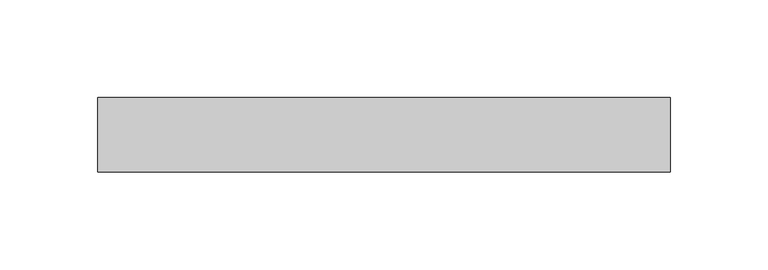
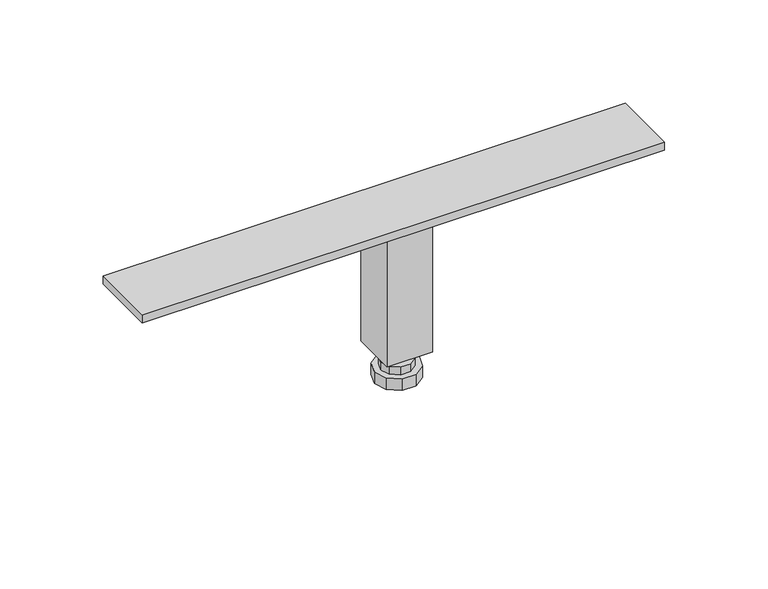
"""IFC4 building model written with IfcOpenShell, lengths in millimetres: furniture geometry."""

from ifc_helpers import new_model, si_unit, frame, origin, origin_with_axes, place, context, project, spatial, polyline, outline, extrude, source, transform, mapped, element, save


def furniture_cb99e0a1(model_context):
    return source(origin(), model_context, "Body", "SweptSolid", [
        extrude(outline(polyline([(-2.3719026, -35.2575998), (-0.0166993, -34.6265246), (2.338504, -35.2575998), (4.0626324, -36.9817269), (4.6937073, -39.3369293), (4.0626324, -41.6921362), (2.338504, -43.4162633), (-0.0166993, -44.0473385), (-2.3719026, -43.4162633), (-4.0960311, -41.6921362), (-4.7271058, -39.3369293), (-4.0960311, -36.9817269), (-2.3719026, -35.2575998)])), frame((0.0, 0.0, 11.2494121), z_axis=(0.0, 0.0, 1.0), x_axis=(1.0, 0.0, 0.0)), (0.0, 0.0, 1.0), 40.2605479),
        extrude(outline(polyline([(-2.7977053, -30.7778701), (2.7643116, -30.7778701), (7.264077, -34.0471427), (8.9828339, -39.3369338), (7.2640753, -44.6267272), (2.7643085, -47.8959999), (-2.7977084, -47.8959953), (-7.297474, -44.6267227), (-9.016231, -39.3369338), (-7.2974735, -34.0471404), (-2.7977053, -30.7778701)])), frame((0.0, 0.0, 6.7496476), z_axis=(0.0, 0.0, 1.0), x_axis=(1.0, 0.0, 0.0)), (0.0, 0.0, 1.0), 4.4997645),
        extrude(outline(polyline([(-3.9101101, -27.3542441), (3.8767113, -27.3542441), (10.1763827, -31.9312244), (12.5826426, -39.3369293), (10.1763827, -46.7426364), (3.8767113, -51.319619), (-3.9101101, -51.319619), (-10.2097809, -46.7426364), (-12.6160408, -39.3369293), (-10.2097809, -31.9312244), (-3.9101101, -27.3542441)])), origin_with_axes(), (0.0, 0.0, 1.0), 6.7496476),
        extrude(outline(polyline([(12.6833018, -26.6115319), (12.6833018, -52.0623335), (-12.7166978, -52.0623335), (-12.7166978, -26.6115319), (12.6833018, -26.6115319)])), frame((0.0, 0.0, 17.3990004), z_axis=(0.0, 0.0, 1.0), x_axis=(1.0, 0.0, 0.0)), (0.0, 0.0, 1.0), 79.197102),
        extrude(outline(polyline([(138.9848035, -20.2520587), (138.9848035, -58.3520587), (-153.5596963, -58.3520587), (-153.5596963, -20.2520587), (138.9848035, -20.2520587)])), frame((0.0, 0.0, 96.5962), z_axis=(0.0, 0.0, 1.0), x_axis=(1.0, 0.0, 0.0)), (0.0, 0.0, 1.0), 4.7498),
    ])


if __name__ == "__main__":
    model = new_model("IFC4")
    model_context = context("Model", 3, world=origin())
    ifc_project = project(units=[si_unit("LENGTHUNIT", "METRE", prefix="MILLI")], contexts=[model_context])
    site = spatial("IfcSite", under=ifc_project)
    building = spatial("IfcBuilding", under=site)
    placement = place(None, origin())
    furniture_shape = furniture_cb99e0a1(model_context)
    element("IfcFurniture", 1, at=placement, inside=building, context=model_context, shape_type="MappedRepresentation", body=[
        mapped(furniture_shape, transform((0.0, 0.0, 0.0), x_axis=(1.0, 0.0, 0.0), y_axis=(0.0, 1.0, 0.0), z_axis=(0.0, 0.0, 1.0))),
    ])
    save(model, "model.ifc")
